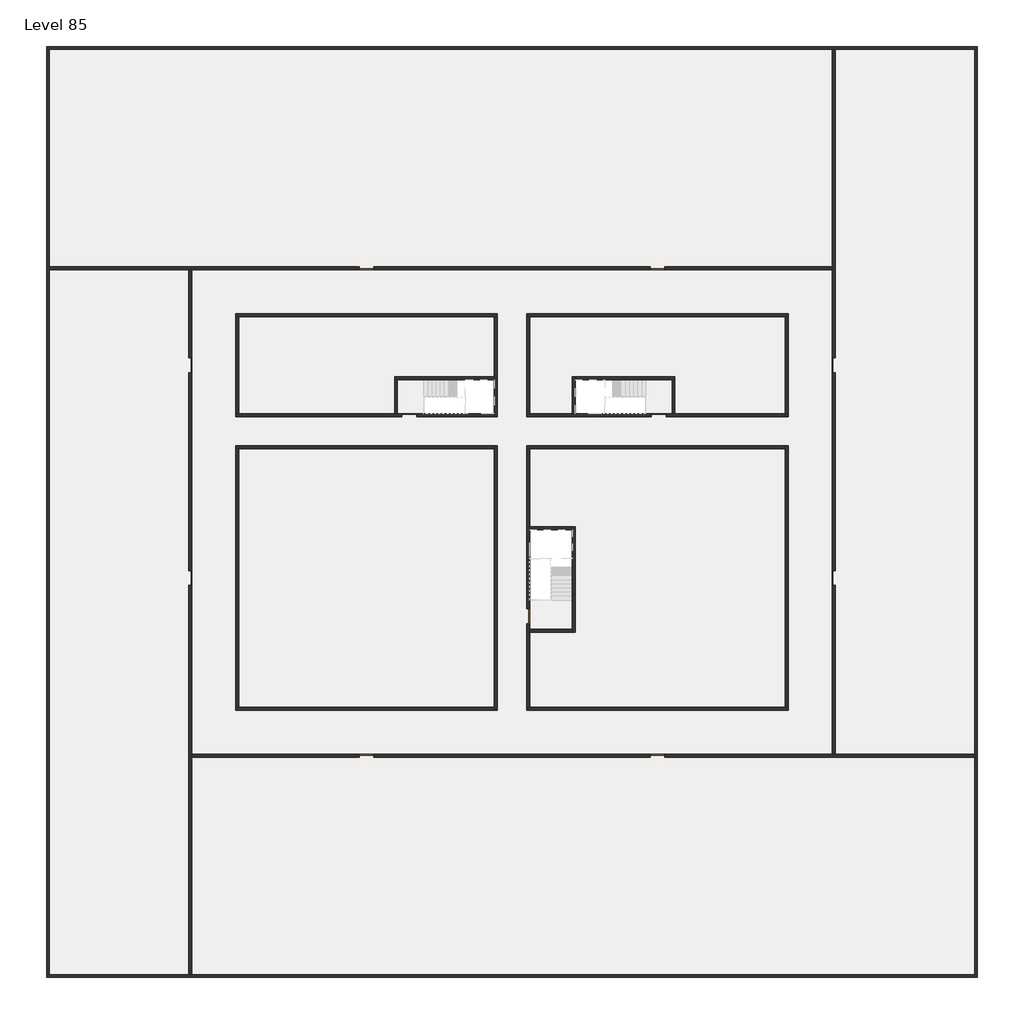
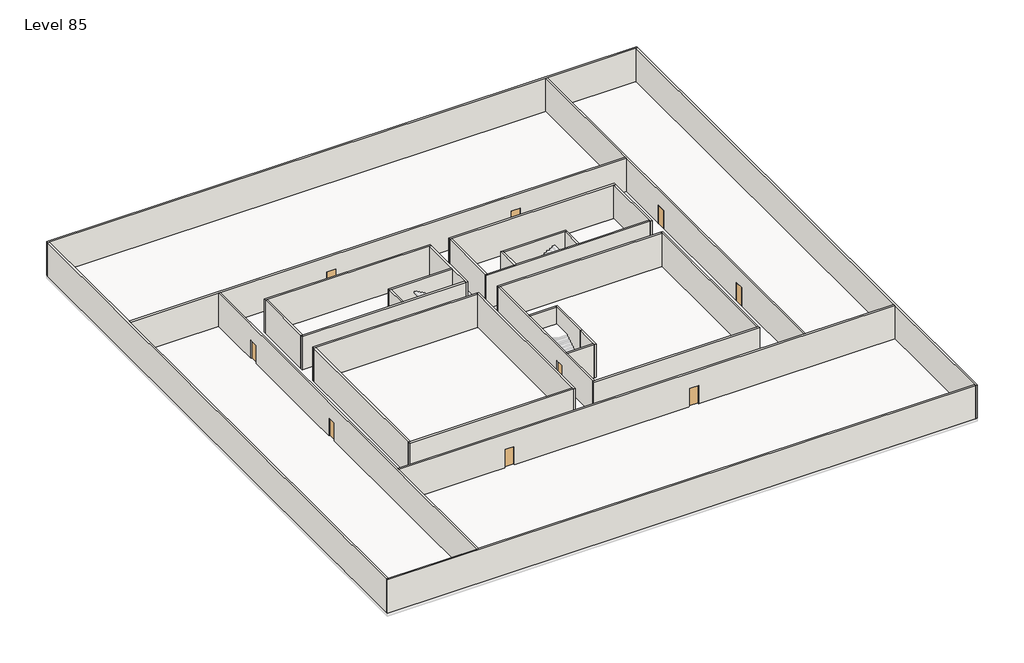
# One storey, part 1 of 2: 33 walls, 11 doors.
"""IFC4 building model written with IfcOpenShell, lengths in millimetres."""

import ifcopenshell
import ifcopenshell.guid

model = None  # the IFC model being written
_history = None  # IfcOwnerHistory: only IFC2X3 demands one
_inside = {}  # id of a spatial element -> (the spatial element, [elements in it])
_under = {}  # id of a project, library or spatial element -> (it, [spatial elements below it])
_declared = {}  # id of a project -> (the project, [libraries it declares])
_typed = {}  # id of a type object -> (the type object, [elements of that type])
_made_of = {}  # id of a material, layer set ... -> (it, [elements and type objects made of it])


def new_model(schema):
    """Start an empty IFC model of exactly this schema.

    Asked for "IFC4X3", IfcOpenShell would pick the latest addendum, in which some entities
    have other attributes; the version numbers below select the first issue.
    IFC2X3 requires an IfcOwnerHistory on every rooted entity: one is made here for all.
    """
    global model, _history
    if schema == "IFC4X3":
        model = ifcopenshell.file(schema_version=(4, 3, 0, 0))
    else:
        model = ifcopenshell.file(schema=schema)
    _inside.clear()
    _under.clear()
    _declared.clear()
    _typed.clear()
    _made_of.clear()
    _history = None
    if model.schema == "IFC2X3":
        org = make("IfcOrganization", Name="unknown")
        user = make(
            "IfcPersonAndOrganization",
            ThePerson=make("IfcPerson", FamilyName="unknown"),
            TheOrganization=org,
        )
        app = make(
            "IfcApplication",
            ApplicationDeveloper=org,
            Version="unknown",
            ApplicationFullName="unknown",
            ApplicationIdentifier="unknown",
        )
        _history = make(
            "IfcOwnerHistory",
            OwningUser=user,
            OwningApplication=app,
            ChangeAction="ADDED",
            CreationDate=0,
        )
    return model


def make(cls, **values):
    """One entity of the class cls with the attributes given. An attribute that is None is left unset."""
    return model.create_entity(
        cls, **{name: value for name, value in values.items() if value is not None}
    )


def rooted(cls, **values):
    """An entity with a GlobalId (a new one), such as an element, a storey or a relation."""
    return make(cls, GlobalId=ifcopenshell.guid.new(), OwnerHistory=_history, **values)


def si_unit(unit_type, name, prefix=None):
    """IfcSIUnit, for example si_unit("LENGTHUNIT", "METRE", prefix="MILLI")."""
    return make("IfcSIUnit", UnitType=unit_type, Prefix=prefix, Name=name)


def assignment(units):
    """IfcUnitAssignment: the units of a project."""
    return None if units is None else make("IfcUnitAssignment", Units=units)


def point(xyz):
    """IfcCartesianPoint."""
    return None if xyz is None else make("IfcCartesianPoint", Coordinates=xyz)


def direction(xyz):
    """IfcDirection."""
    return None if xyz is None else make("IfcDirection", DirectionRatios=xyz)


def frame(location, z_axis=None, x_axis=None):
    """IfcAxis2Placement3D, a coordinate frame: its origin and axes. An axis left out is left unset."""
    return make(
        "IfcAxis2Placement3D",
        Location=point(location),
        Axis=direction(z_axis),
        RefDirection=direction(x_axis),
    )


def origin():
    """The frame at (0, 0, 0) with its axes left unset."""
    return frame((0.0, 0.0, 0.0))


def origin_with_axes():
    """The frame at (0, 0, 0) with the z axis (0, 0, 1) and the x axis (1, 0, 0) written out."""
    return frame((0.0, 0.0, 0.0), z_axis=(0.0, 0.0, 1.0), x_axis=(1.0, 0.0, 0.0))


def place(relative_to, where):
    """IfcLocalPlacement: puts the frame where relative to a parent placement (None: the world)."""
    return make(
        "IfcLocalPlacement", PlacementRelTo=relative_to, RelativePlacement=where
    )


def context(
    kind, dimensions, precision=None, world=None, true_north=None, identifier=None
):
    """IfcGeometricRepresentationContext, for example the 3D "Model" context."""
    return make(
        "IfcGeometricRepresentationContext",
        ContextIdentifier=identifier,
        ContextType=kind,
        CoordinateSpaceDimension=dimensions,
        Precision=precision,
        WorldCoordinateSystem=world,
        TrueNorth=true_north,
    )


def project(units=None, contexts=None):
    """IfcProject with its units and contexts."""
    return rooted(
        "IfcProject",
        Name="project",
        RepresentationContexts=contexts,
        UnitsInContext=assignment(units),
    )


def spatial(cls, under=None, at=None, **own):
    """A site, building, storey or space (cls), placed at a placement, below another one or the project."""
    s = rooted(cls, ObjectPlacement=at, **own)
    if under is not None:
        _under.setdefault(under.id(), (under, []))[1].append(s)
    return s


def polyline(points):
    """IfcPolyline through the points."""
    return make("IfcPolyline", Points=[point(p) for p in points])


def outline(outer, holes=None, kind="AREA"):
    """IfcArbitraryClosedProfileDef: a profile drawn as a closed curve; with holes, ...WithVoids."""
    if holes is None:
        return make("IfcArbitraryClosedProfileDef", ProfileType=kind, OuterCurve=outer)
    return make(
        "IfcArbitraryProfileDefWithVoids",
        ProfileType=kind,
        OuterCurve=outer,
        InnerCurves=holes,
    )


def extrude(swept, where, along, depth):
    """IfcExtrudedAreaSolid: the profile swept, set in the frame where, extruded along a direction by depth."""
    return make(
        "IfcExtrudedAreaSolid",
        SweptArea=swept,
        Position=where,
        ExtrudedDirection=direction(along),
        Depth=depth,
    )


def faces_of(points, faces, orient=None, outer=None):
    """IfcFace entities. A face is a list of loops; a loop is a list of indices into points, from 0.

    orient and outer hold one flag for each loop. By default every Orientation is true, the
    first loop of a face is its IfcFaceOuterBound and the others are IfcFaceBound.
    """
    made = []
    for i, loops in enumerate(faces):
        bounds = []
        for j, loop in enumerate(loops):
            is_outer = j == 0 if outer is None else outer[i][j]
            bounds.append(
                make(
                    "IfcFaceOuterBound" if is_outer else "IfcFaceBound",
                    Bound=make("IfcPolyLoop", Polygon=[points[k] for k in loop]),
                    Orientation=True if orient is None else orient[i][j],
                )
            )
        made.append(make("IfcFace", Bounds=bounds))
    return made


def faceted_brep(points, faces, orient=None, outer=None, voids=None):
    """IfcFacetedBrep: a solid bounded by flat faces; with voids (closed shells), ...WithVoids."""
    shared = [point(p) for p in points]
    hull = make("IfcClosedShell", CfsFaces=faces_of(shared, faces, orient, outer))
    if voids is None:
        return make("IfcFacetedBrep", Outer=hull)
    return make(
        "IfcFacetedBrepWithVoids",
        Outer=hull,
        Voids=[
            make(cls, CfsFaces=faces_of(shared, fs, o, b)) for cls, fs, o, b in voids
        ],
    )


def shape(context_of_items, identifier, shape_type, items):
    """IfcShapeRepresentation: the items that make up one representation, for example the "Body"."""
    return make(
        "IfcShapeRepresentation",
        ContextOfItems=context_of_items,
        RepresentationIdentifier=identifier,
        RepresentationType=shape_type,
        Items=items,
    )


def source(mapping_origin, context_of_items, identifier, shape_type, items):
    """IfcRepresentationMap: a shape defined once, which mapped items show again and again."""
    return make(
        "IfcRepresentationMap",
        MappingOrigin=mapping_origin,
        MappedRepresentation=shape(context_of_items, identifier, shape_type, items),
    )


def transform(
    local_origin,
    x_axis=None,
    y_axis=None,
    z_axis=None,
    scale=None,
    scale2=None,
    scale3=None,
    uniform=True,
):
    """IfcCartesianTransformationOperator3D, or its non-uniform kind. x_axis, y_axis, z_axis: its Axis1, 2, 3."""
    if uniform:
        return make(
            "IfcCartesianTransformationOperator3D",
            Axis1=direction(x_axis),
            Axis2=direction(y_axis),
            LocalOrigin=point(local_origin),
            Scale=scale,
            Axis3=direction(z_axis),
        )
    return make(
        "IfcCartesianTransformationOperator3DnonUniform",
        Axis1=direction(x_axis),
        Axis2=direction(y_axis),
        LocalOrigin=point(local_origin),
        Scale=scale,
        Axis3=direction(z_axis),
        Scale2=scale2,
        Scale3=scale3,
    )


def mapped(mapping_source, mapping_target):
    """IfcMappedItem: shows the shape of a source again, moved by a transform."""
    return make(
        "IfcMappedItem", MappingSource=mapping_source, MappingTarget=mapping_target
    )


def made_of(thing, what):
    """Note that an element or type object is made of a material, layer set ...; save() writes the relation."""
    if what is not None:
        _made_of.setdefault(what.id(), (what, []))[1].append(thing)
    return thing


def element(
    cls,
    number,
    at=None,
    inside=None,
    cuts=None,
    type_object=None,
    material=None,
    context=None,
    identifier="Body",
    shape_type=None,
    held_by="IfcProductDefinitionShape",
    body=None,
    shapes=None,
    **own,
):
    """One element of the class cls, such as IfcWall. Its Tag is "e" and its number.

    at: its placement. inside: the storey or other place that contains it. cuts: it is an
    opening in that element (IfcRelVoidsElement). A single representation is given by context,
    identifier, shape_type and body (its items); several are given by shapes. held_by: the class
    of the entity that holds the representations. save() writes the other relations.
    """
    e = rooted(cls, Tag="e%d" % number, ObjectPlacement=at, **own)
    if body is not None:
        shapes = [shape(context, identifier, shape_type, body)]
    if shapes is not None:
        e.Representation = make(held_by, Representations=shapes)
    if inside is not None:
        _inside.setdefault(inside.id(), (inside, []))[1].append(e)
    if cuts is not None:
        rooted(
            "IfcRelVoidsElement", RelatingBuildingElement=cuts, RelatedOpeningElement=e
        )
    if type_object is not None:
        _typed.setdefault(type_object.id(), (type_object, []))[1].append(e)
    return made_of(e, material)


def aggregate(whole, parts):
    """IfcRelAggregates: a whole, such as a stair, and the parts it consists of."""
    return rooted("IfcRelAggregates", RelatingObject=whole, RelatedObjects=parts)


def save(model, path):
    """Write the relations noted so far, then the file.

    IfcRelAggregates (storeys below a building ...), IfcRelContainedInSpatialStructure (elements
    in a storey), IfcRelDefinesByType, IfcRelAssociatesMaterial and IfcRelDeclares: one each for
    every whole, place, type object, material and project.
    """
    for whole, parts in _under.values():
        aggregate(whole, parts)
    for where, things in _inside.values():
        rooted(
            "IfcRelContainedInSpatialStructure",
            RelatedElements=things,
            RelatingStructure=where,
        )
    for kind, things in _typed.values():
        rooted("IfcRelDefinesByType", RelatedObjects=things, RelatingType=kind)
    for what, things in _made_of.values():
        rooted("IfcRelAssociatesMaterial", RelatedObjects=things, RelatingMaterial=what)
    for by, libraries in _declared.values():
        rooted("IfcRelDeclares", RelatingContext=by, RelatedDefinitions=libraries)
    model.write(path)


def door_fb3c37fd(model_context):
    return source(origin(), model_context, "Body", "SweptSolid", [
        extrude(outline(polyline([(500.0, 49.0), (-500.0, 49.0), (-500.0, 100.0), (500.0, 100.0), (500.0, 49.0)])), origin_with_axes(), (0.0, 0.0, 1.0), 2100.0),
    ])


def door_0317a72c(model_context):
    return source(origin(), model_context, "Body", "SweptSolid", [
        extrude(outline(polyline([(500.0, -49.0), (500.0, -100.0), (-500.0, -100.0), (-500.0, -49.0), (500.0, -49.0)])), origin_with_axes(), (0.0, 0.0, 1.0), 2100.0),
    ])


model = new_model("IFC4")

# Units and contexts
model_context = context("Model", 3, world=origin())
ifc_project = project(units=[si_unit("LENGTHUNIT", "METRE", prefix="MILLI")], contexts=[model_context])

# Site, building, storey
site = spatial("IfcSite", under=ifc_project)
building = spatial("IfcBuilding", under=site)
storey = spatial("IfcBuildingStorey", under=building, Name="Level 85", Elevation=319200.0)

# Doors
placement = place(None, origin())
door_shape = door_fb3c37fd(model_context)
element("IfcDoor", 1, at=placement, inside=storey, context=model_context, shape_type="MappedRepresentation", body=[
    mapped(door_shape, transform((34190.1058784, -30618.09644, 319200.0), x_axis=(1.0, 0.0, 0.0), y_axis=(0.0, 1.0, 0.0), z_axis=(0.0, 0.0, 1.0))),
])
element("IfcDoor", 2, at=placement, inside=storey, context=model_context, shape_type="MappedRepresentation", body=[
    mapped(door_shape, transform((25290.1058784, -44318.09644, 319200.0), x_axis=(0.0, -1.0, 0.0), y_axis=(1.0, 0.0, 0.0), z_axis=(0.0, 0.0, 1.0))),
])
element("IfcDoor", 3, at=placement, inside=storey, context=model_context, shape_type="MappedRepresentation", body=[
    mapped(door_shape, transform((2290.1058784, -41718.09644, 319200.0), x_axis=(0.0, -1.0, 0.0), y_axis=(1.0, 0.0, 0.0), z_axis=(0.0, 0.0, 1.0))),
])
element("IfcDoor", 4, at=placement, inside=storey, context=model_context, shape_type="MappedRepresentation", body=[
    mapped(door_shape, transform((2290.1058784, -27218.09644, 319200.0), x_axis=(0.0, -1.0, 0.0), y_axis=(1.0, 0.0, 0.0), z_axis=(0.0, 0.0, 1.0))),
])
element("IfcDoor", 5, at=placement, inside=storey, context=model_context, shape_type="MappedRepresentation", body=[
    mapped(door_shape, transform((14290.1058784, -20618.09644, 319200.0), x_axis=(-1.0, 0.0, 0.0), y_axis=(0.0, -1.0, 0.0), z_axis=(0.0, 0.0, 1.0))),
])
element("IfcDoor", 6, at=placement, inside=storey, context=model_context, shape_type="MappedRepresentation", body=[
    mapped(door_shape, transform((34090.1058784, -20618.09644, 319200.0), x_axis=(-1.0, 0.0, 0.0), y_axis=(0.0, -1.0, 0.0), z_axis=(0.0, 0.0, 1.0))),
])
element("IfcDoor", 7, at=placement, inside=storey, context=model_context, shape_type="MappedRepresentation", body=[
    mapped(door_shape, transform((46090.1058784, -27218.09644, 319200.0), x_axis=(0.0, 1.0, 0.0), y_axis=(-1.0, 0.0, 0.0), z_axis=(0.0, 0.0, 1.0))),
])
element("IfcDoor", 8, at=placement, inside=storey, context=model_context, shape_type="MappedRepresentation", body=[
    mapped(door_shape, transform((46090.1058784, -41718.09644, 319200.0), x_axis=(0.0, 1.0, 0.0), y_axis=(-1.0, 0.0, 0.0), z_axis=(0.0, 0.0, 1.0))),
])
element("IfcDoor", 9, at=placement, inside=storey, context=model_context, shape_type="MappedRepresentation", body=[
    mapped(door_shape, transform((34090.1058784, -53818.09644, 319200.0), x_axis=(1.0, 0.0, 0.0), y_axis=(0.0, 1.0, 0.0), z_axis=(0.0, 0.0, 1.0))),
])
element("IfcDoor", 10, at=placement, inside=storey, context=model_context, shape_type="MappedRepresentation", body=[
    mapped(door_shape, transform((14290.1058784, -53818.09644, 319200.0), x_axis=(1.0, 0.0, 0.0), y_axis=(0.0, 1.0, 0.0), z_axis=(0.0, 0.0, 1.0))),
])
door_2_shape = door_0317a72c(model_context)
element("IfcDoor", 11, at=placement, inside=storey, context=model_context, shape_type="MappedRepresentation", body=[
    mapped(door_2_shape, transform((17190.1058784, -30618.09644, 319200.0), x_axis=(-1.0, 0.0, 0.0), y_axis=(0.0, -1.0, 0.0), z_axis=(0.0, 0.0, 1.0))),
])

# Walls
element("IfcWall", 12, at=placement, inside=storey, context=model_context, shape_type="Brep", body=[
    faceted_brep([(-7509.8941216, -5718.09644, 319200.0), (-7309.8941216, -5718.09644, 319200.0), (45990.1058784, -5718.09644, 319200.0), (46190.1058784, -5718.09644, 319200.0), (55690.1058784, -5718.09644, 319200.0), (55890.1058784, -5718.09644, 319200.0), (55890.1058784, -5718.09644, 323000.0), (55690.1058784, -5718.09644, 323000.0), (46190.1058784, -5718.09644, 323000.0), (45990.1058784, -5718.09644, 323000.0), (-7309.8941216, -5718.09644, 323000.0), (-7509.8941216, -5718.09644, 323000.0), (-7509.8941216, -5518.09644, 319200.0), (-7509.8941216, -5518.09644, 323000.0), (55890.1058784, -5518.09644, 323000.0), (55890.1058784, -5518.09644, 319200.0)], [[[0, 1, 2, 3, 4, 5, 6, 7, 8, 9, 10, 11]], [[12, 13, 14, 15]], [[5, 4, 3, 2, 1, 0, 12, 15]], [[11, 10, 9, 8, 7, 6, 14, 13]], [[0, 11, 13, 12]], [[6, 5, 15, 14]]]),
])
element("IfcWall", 13, at=placement, inside=storey, context=model_context, shape_type="Brep", body=[
    faceted_brep([(55690.1058784, -5718.09644, 319200.0), (55690.1058784, -53718.09644, 319200.0), (55690.1058784, -53918.09644, 319200.0), (55690.1058784, -68718.09644, 319200.0), (55690.1058784, -68918.09644, 319200.0), (55690.1058784, -68918.09644, 323000.0), (55690.1058784, -68718.09644, 323000.0), (55690.1058784, -53918.09644, 323000.0), (55690.1058784, -53718.09644, 323000.0), (55690.1058784, -5718.09644, 323000.0), (55890.1058784, -5718.09644, 319200.0), (55890.1058784, -5718.09644, 323000.0), (55890.1058784, -68918.09644, 323000.0), (55890.1058784, -68918.09644, 319200.0)], [[[0, 1, 2, 3, 4, 5, 6, 7, 8, 9]], [[10, 11, 12, 13]], [[4, 3, 2, 1, 0, 10, 13]], [[9, 8, 7, 6, 5, 12, 11]], [[5, 4, 13, 12]], [[0, 9, 11, 10]]]),
])
element("IfcWall", 14, at=placement, inside=storey, context=model_context, shape_type="Brep", body=[
    faceted_brep([(55690.1058784, -68718.09644, 319200.0), (2390.1058784, -68718.09644, 319200.0), (2190.1058784, -68718.09644, 319200.0), (-7309.8941216, -68718.09644, 319200.0), (-7509.8941216, -68718.09644, 319200.0), (-7509.8941216, -68718.09644, 323000.0), (-7309.8941216, -68718.09644, 323000.0), (2190.1058784, -68718.09644, 323000.0), (2390.1058784, -68718.09644, 323000.0), (55690.1058784, -68718.09644, 323000.0), (55690.1058784, -68918.09644, 319200.0), (55690.1058784, -68918.09644, 323000.0), (-7509.8941216, -68918.09644, 323000.0), (-7509.8941216, -68918.09644, 319200.0)], [[[0, 1, 2, 3, 4, 5, 6, 7, 8, 9]], [[10, 11, 12, 13]], [[4, 3, 2, 1, 0, 10, 13]], [[9, 8, 7, 6, 5, 12, 11]], [[5, 4, 13, 12]], [[0, 9, 11, 10]]]),
])
element("IfcWall", 15, at=placement, inside=storey, context=model_context, shape_type="Brep", body=[
    faceted_brep([(-7309.8941216, -68718.09644, 319200.0), (-7309.8941216, -20718.09644, 319200.0), (-7309.8941216, -20518.09644, 319200.0), (-7309.8941216, -5718.09644, 319200.0), (-7309.8941216, -5718.09644, 323000.0), (-7309.8941216, -20518.09644, 323000.0), (-7309.8941216, -20718.09644, 323000.0), (-7309.8941216, -68718.09644, 323000.0), (-7509.8941216, -68718.09644, 319200.0), (-7509.8941216, -68718.09644, 323000.0), (-7509.8941216, -5718.09644, 323000.0), (-7509.8941216, -5718.09644, 319200.0)], [[[0, 1, 2, 3, 4, 5, 6, 7]], [[8, 9, 10, 11]], [[3, 2, 1, 0, 8, 11]], [[7, 6, 5, 4, 10, 9]], [[0, 7, 9, 8]], [[4, 3, 11, 10]]]),
])
element("IfcWall", 16, at=placement, inside=storey, context=model_context, shape_type="Brep", body=[
    faceted_brep([(5390.1058784, -23918.09644, 319200.0), (5590.1058784, -23918.09644, 319200.0), (22990.1058784, -23918.09644, 319200.0), (23190.1058784, -23918.09644, 319200.0), (23190.1058784, -23918.09644, 323000.0), (22990.1058784, -23918.09644, 323000.0), (5590.1058784, -23918.09644, 323000.0), (5390.1058784, -23918.09644, 323000.0), (5390.1058784, -23718.09644, 319200.0), (5390.1058784, -23718.09644, 323000.0), (23190.1058784, -23718.09644, 323000.0), (23190.1058784, -23718.09644, 319200.0)], [[[0, 1, 2, 3, 4, 5, 6, 7]], [[8, 9, 10, 11]], [[3, 2, 1, 0, 8, 11]], [[7, 6, 5, 4, 10, 9]], [[4, 3, 11, 10]], [[0, 7, 9, 8]]]),
])
element("IfcWall", 17, at=placement, inside=storey, context=model_context, shape_type="Brep", body=[
    faceted_brep([(22990.1058784, -23918.09644, 319200.0), (22990.1058784, -28018.09644, 319200.0), (22990.1058784, -28218.09644, 319200.0), (22990.1058784, -30518.09644, 319200.0), (22990.1058784, -30718.09644, 319200.0), (22990.1058784, -30718.09644, 323000.0), (22990.1058784, -30518.09644, 323000.0), (22990.1058784, -28218.09644, 323000.0), (22990.1058784, -28018.09644, 323000.0), (22990.1058784, -23918.09644, 323000.0), (23190.1058784, -23918.09644, 319200.0), (23190.1058784, -23918.09644, 323000.0), (23190.1058784, -30718.09644, 323000.0), (23190.1058784, -30718.09644, 319200.0)], [[[0, 1, 2, 3, 4, 5, 6, 7, 8, 9]], [[10, 11, 12, 13]], [[4, 3, 2, 1, 0, 10, 13]], [[9, 8, 7, 6, 5, 12, 11]], [[0, 9, 11, 10]], [[5, 4, 13, 12]]]),
])
element("IfcWall", 18, at=placement, inside=storey, context=model_context, shape_type="Brep", body=[
    faceted_brep([(25190.1058784, -44818.09644, 321300.0), (25190.1058784, -44818.09644, 319200.0), (25190.1058784, -50518.09644, 319200.0), (25190.1058784, -50518.09644, 323000.0), (25190.1058784, -32918.09644, 323000.0), (25190.1058784, -32918.09644, 319200.0), (25190.1058784, -43818.09644, 319200.0), (25190.1058784, -43818.09644, 321300.0), (25390.1058784, -50518.09644, 319200.0), (25390.1058784, -45418.09644, 319200.0), (25390.1058784, -45218.09644, 319200.0), (25390.1058784, -44818.09644, 319200.0), (25390.1058784, -44818.09644, 321300.0), (25390.1058784, -43818.09644, 321300.0), (25390.1058784, -43818.09644, 319200.0), (25390.1058784, -38418.09644, 319200.0), (25390.1058784, -38218.09644, 319200.0), (25390.1058784, -32918.09644, 319200.0), (25390.1058784, -32918.09644, 323000.0), (25390.1058784, -38218.09644, 323000.0), (25390.1058784, -38418.09644, 323000.0), (25390.1058784, -45218.09644, 323000.0), (25390.1058784, -45418.09644, 323000.0), (25390.1058784, -50518.09644, 323000.0)], [[[0, 1, 2, 3, 4, 5, 6, 7]], [[8, 9, 10, 11, 12, 13, 14, 15, 16, 17, 18, 19, 20, 21, 22, 23]], [[6, 5, 17, 16, 15, 14]], [[2, 1, 11, 10, 9, 8]], [[4, 3, 23, 22, 21, 20, 19, 18]], [[12, 11, 1, 0]], [[13, 12, 0, 7]], [[14, 13, 7, 6]], [[5, 4, 18, 17]], [[3, 2, 8, 23]]]),
])
element("IfcWall", 19, at=placement, inside=storey, context=model_context, shape_type="Brep", body=[
    faceted_brep([(22990.1058784, -32718.09644, 319200.0), (22990.1058784, -32918.09644, 319200.0), (22990.1058784, -50518.09644, 319200.0), (22990.1058784, -50718.09644, 319200.0), (22990.1058784, -50718.09644, 323000.0), (22990.1058784, -50518.09644, 323000.0), (22990.1058784, -32918.09644, 323000.0), (22990.1058784, -32718.09644, 323000.0), (23190.1058784, -32718.09644, 319200.0), (23190.1058784, -32718.09644, 323000.0), (23190.1058784, -50718.09644, 323000.0), (23190.1058784, -50718.09644, 319200.0)], [[[0, 1, 2, 3, 4, 5, 6, 7]], [[8, 9, 10, 11]], [[3, 2, 1, 0, 8, 11]], [[7, 6, 5, 4, 10, 9]], [[4, 3, 11, 10]], [[0, 7, 9, 8]]]),
])
element("IfcWall", 20, at=placement, inside=storey, context=model_context, shape_type="Brep", body=[
    faceted_brep([(22990.1058784, -50518.09644, 319200.0), (5590.1058784, -50518.09644, 319200.0), (5390.1058784, -50518.09644, 319200.0), (5390.1058784, -50518.09644, 323000.0), (5590.1058784, -50518.09644, 323000.0), (22990.1058784, -50518.09644, 323000.0), (22990.1058784, -50718.09644, 319200.0), (22990.1058784, -50718.09644, 323000.0), (5390.1058784, -50718.09644, 323000.0), (5390.1058784, -50718.09644, 319200.0)], [[[0, 1, 2, 3, 4, 5]], [[6, 7, 8, 9]], [[2, 1, 0, 6, 9]], [[5, 4, 3, 8, 7]], [[0, 5, 7, 6]], [[3, 2, 9, 8]]]),
])
element("IfcWall", 21, at=placement, inside=storey, context=model_context, shape_type="Brep", body=[
    faceted_brep([(28290.1058784, -42818.09644, 319200.0), (28290.1058784, -45218.09644, 319200.0), (28290.1058784, -45418.09644, 319200.0), (28290.1058784, -45418.09644, 323000.0), (28290.1058784, -45218.09644, 323000.0), (28290.1058784, -42818.09644, 323000.0), (28490.1058784, -42818.09644, 319200.0), (28490.1058784, -42818.09644, 323000.0), (28490.1058784, -45418.09644, 323000.0), (28490.1058784, -45418.09644, 319200.0)], [[[0, 1, 2, 3, 4, 5]], [[6, 7, 8, 9]], [[2, 1, 0, 6, 9]], [[5, 4, 3, 8, 7]], [[0, 5, 7, 6]], [[3, 2, 9, 8]]]),
])
element("IfcWall", 22, at=placement, inside=storey, context=model_context, shape_type="SweptSolid", body=[
    extrude(outline(polyline([(5390.1058784, -30518.09644), (5390.1058784, -23918.09644), (5590.1058784, -23918.09644), (5590.1058784, -30518.09644), (5390.1058784, -30518.09644)])), frame((0.0, 0.0, 319200.0), z_axis=(0.0, 0.0, 1.0), x_axis=(1.0, 0.0, 0.0)), (0.0, 0.0, 1.0), 3800.0),
])
element("IfcWall", 23, at=placement, inside=storey, context=model_context, shape_type="Brep", body=[
    faceted_brep([(5390.1058784, -30718.09644, 319200.0), (16690.1058784, -30718.09644, 319200.0), (16690.1058784, -30718.09644, 321300.0), (17690.1058784, -30718.09644, 321300.0), (17690.1058784, -30718.09644, 319200.0), (22990.1058784, -30718.09644, 319200.0), (22990.1058784, -30718.09644, 323000.0), (5390.1058784, -30718.09644, 323000.0), (16690.1058784, -30518.09644, 321300.0), (16690.1058784, -30518.09644, 319200.0), (16390.1058784, -30518.09644, 319200.0), (16190.1058784, -30518.09644, 319200.0), (5590.1058784, -30518.09644, 319200.0), (5390.1058784, -30518.09644, 319200.0), (5390.1058784, -30518.09644, 323000.0), (5590.1058784, -30518.09644, 323000.0), (16190.1058784, -30518.09644, 323000.0), (16390.1058784, -30518.09644, 323000.0), (22990.1058784, -30518.09644, 323000.0), (22990.1058784, -30518.09644, 319200.0), (17690.1058784, -30518.09644, 319200.0), (17690.1058784, -30518.09644, 321300.0)], [[[0, 1, 2, 3, 4, 5, 6, 7]], [[8, 9, 10, 11, 12, 13, 14, 15, 16, 17, 18, 19, 20, 21]], [[20, 19, 5, 4]], [[13, 12, 11, 10, 9, 1, 0]], [[7, 6, 18, 17, 16, 15, 14]], [[2, 1, 9, 8]], [[3, 2, 8, 21]], [[4, 3, 21, 20]], [[0, 7, 14, 13]], [[6, 5, 19, 18]]]),
])
element("IfcWall", 24, at=placement, inside=storey, context=model_context, shape_type="Brep", body=[
    faceted_brep([(28490.1058784, -42818.09644, 319200.0), (28490.1058784, -38218.09644, 319200.0), (28490.1058784, -38218.09644, 323000.0), (28490.1058784, -42818.09644, 323000.0), (28290.1058784, -42818.09644, 319200.0), (28290.1058784, -42818.09644, 323000.0), (28290.1058784, -38418.09644, 323000.0), (28290.1058784, -38218.09644, 323000.0), (28290.1058784, -38218.09644, 319200.0), (28290.1058784, -38418.09644, 319200.0)], [[[0, 1, 2, 3]], [[4, 5, 6, 7, 8, 9]], [[1, 0, 4, 9, 8]], [[3, 2, 7, 6, 5]], [[0, 3, 5, 4]], [[2, 1, 8, 7]]]),
])
element("IfcWall", 25, at=placement, inside=storey, context=model_context, shape_type="SweptSolid", body=[
    extrude(outline(polyline([(25390.1058784, -38218.09644), (28290.1058784, -38218.09644), (28290.1058784, -38418.09644), (25390.1058784, -38418.09644), (25390.1058784, -38218.09644)])), frame((0.0, 0.0, 319200.0), z_axis=(0.0, 0.0, 1.0), x_axis=(1.0, 0.0, 0.0)), (0.0, 0.0, 1.0), 3800.0),
])
element("IfcWall", 26, at=placement, inside=storey, context=model_context, shape_type="SweptSolid", body=[
    extrude(outline(polyline([(28290.1058784, -45418.09644), (25390.1058784, -45418.09644), (25390.1058784, -45218.09644), (28290.1058784, -45218.09644), (28290.1058784, -45418.09644)])), frame((0.0, 0.0, 319200.0), z_axis=(0.0, 0.0, 1.0), x_axis=(1.0, 0.0, 0.0)), (0.0, 0.0, 1.0), 3800.0),
])
element("IfcWall", 27, at=placement, inside=storey, context=model_context, shape_type="Brep", body=[
    faceted_brep([(5390.1058784, -32918.09644, 319200.0), (5590.1058784, -32918.09644, 319200.0), (22990.1058784, -32918.09644, 319200.0), (22990.1058784, -32918.09644, 323000.0), (5590.1058784, -32918.09644, 323000.0), (5390.1058784, -32918.09644, 323000.0), (5390.1058784, -32718.09644, 319200.0), (5390.1058784, -32718.09644, 323000.0), (22990.1058784, -32718.09644, 323000.0), (22990.1058784, -32718.09644, 319200.0)], [[[0, 1, 2, 3, 4, 5]], [[6, 7, 8, 9]], [[2, 1, 0, 6, 9]], [[5, 4, 3, 8, 7]], [[3, 2, 9, 8]], [[0, 5, 7, 6]]]),
])
element("IfcWall", 28, at=placement, inside=storey, context=model_context, shape_type="SweptSolid", body=[
    extrude(outline(polyline([(5390.1058784, -50518.09644), (5390.1058784, -32918.09644), (5590.1058784, -32918.09644), (5590.1058784, -50518.09644), (5390.1058784, -50518.09644)])), frame((0.0, 0.0, 319200.0), z_axis=(0.0, 0.0, 1.0), x_axis=(1.0, 0.0, 0.0)), (0.0, 0.0, 1.0), 3800.0),
])
element("IfcWall", 29, at=placement, inside=storey, context=model_context, shape_type="Brep", body=[
    faceted_brep([(25190.1058784, -50718.09644, 319200.0), (42990.1058784, -50718.09644, 319200.0), (42990.1058784, -50718.09644, 323000.0), (25190.1058784, -50718.09644, 323000.0), (25190.1058784, -50518.09644, 319200.0), (25190.1058784, -50518.09644, 323000.0), (25390.1058784, -50518.09644, 323000.0), (42790.1058784, -50518.09644, 323000.0), (42990.1058784, -50518.09644, 323000.0), (42990.1058784, -50518.09644, 319200.0), (42790.1058784, -50518.09644, 319200.0), (25390.1058784, -50518.09644, 319200.0)], [[[0, 1, 2, 3]], [[4, 5, 6, 7, 8, 9, 10, 11]], [[1, 0, 4, 11, 10, 9]], [[3, 2, 8, 7, 6, 5]], [[2, 1, 9, 8]], [[0, 3, 5, 4]]]),
])
element("IfcWall", 30, at=placement, inside=storey, context=model_context, shape_type="Brep", body=[
    faceted_brep([(42990.1058784, -50518.09644, 319200.0), (42990.1058784, -32718.09644, 319200.0), (42990.1058784, -32718.09644, 323000.0), (42990.1058784, -50518.09644, 323000.0), (42790.1058784, -50518.09644, 319200.0), (42790.1058784, -50518.09644, 323000.0), (42790.1058784, -32918.09644, 323000.0), (42790.1058784, -32718.09644, 323000.0), (42790.1058784, -32718.09644, 319200.0), (42790.1058784, -32918.09644, 319200.0)], [[[0, 1, 2, 3]], [[4, 5, 6, 7, 8, 9]], [[1, 0, 4, 9, 8]], [[3, 2, 7, 6, 5]], [[0, 3, 5, 4]], [[2, 1, 8, 7]]]),
])
element("IfcWall", 31, at=placement, inside=storey, context=model_context, shape_type="Brep", body=[
    faceted_brep([(42790.1058784, -32718.09644, 319200.0), (25190.1058784, -32718.09644, 319200.0), (25190.1058784, -32718.09644, 323000.0), (42790.1058784, -32718.09644, 323000.0), (42790.1058784, -32918.09644, 319200.0), (42790.1058784, -32918.09644, 323000.0), (25390.1058784, -32918.09644, 323000.0), (25190.1058784, -32918.09644, 323000.0), (25190.1058784, -32918.09644, 319200.0), (25390.1058784, -32918.09644, 319200.0)], [[[0, 1, 2, 3]], [[4, 5, 6, 7, 8, 9]], [[1, 0, 4, 9, 8]], [[3, 2, 7, 6, 5]], [[0, 3, 5, 4]], [[2, 1, 8, 7]]]),
])
element("IfcWall", 32, at=placement, inside=storey, context=model_context, shape_type="Brep", body=[
    faceted_brep([(25190.1058784, -23918.09644, 319200.0), (25390.1058784, -23918.09644, 319200.0), (42790.1058784, -23918.09644, 319200.0), (42990.1058784, -23918.09644, 319200.0), (42990.1058784, -23918.09644, 323000.0), (42790.1058784, -23918.09644, 323000.0), (25390.1058784, -23918.09644, 323000.0), (25190.1058784, -23918.09644, 323000.0), (25190.1058784, -23718.09644, 319200.0), (25190.1058784, -23718.09644, 323000.0), (42990.1058784, -23718.09644, 323000.0), (42990.1058784, -23718.09644, 319200.0)], [[[0, 1, 2, 3, 4, 5, 6, 7]], [[8, 9, 10, 11]], [[3, 2, 1, 0, 8, 11]], [[7, 6, 5, 4, 10, 9]], [[0, 7, 9, 8]], [[4, 3, 11, 10]]]),
])
element("IfcWall", 33, at=placement, inside=storey, context=model_context, shape_type="Brep", body=[
    faceted_brep([(42790.1058784, -23918.09644, 319200.0), (42790.1058784, -30518.09644, 319200.0), (42790.1058784, -30718.09644, 319200.0), (42790.1058784, -30718.09644, 323000.0), (42790.1058784, -30518.09644, 323000.0), (42790.1058784, -23918.09644, 323000.0), (42990.1058784, -23918.09644, 319200.0), (42990.1058784, -23918.09644, 323000.0), (42990.1058784, -30718.09644, 323000.0), (42990.1058784, -30718.09644, 319200.0)], [[[0, 1, 2, 3, 4, 5]], [[6, 7, 8, 9]], [[2, 1, 0, 6, 9]], [[5, 4, 3, 8, 7]], [[0, 5, 7, 6]], [[3, 2, 9, 8]]]),
])
element("IfcWall", 34, at=placement, inside=storey, context=model_context, shape_type="Brep", body=[
    faceted_brep([(42790.1058784, -30518.09644, 319200.0), (35290.1058784, -30518.09644, 319200.0), (35090.1058784, -30518.09644, 319200.0), (34690.1058784, -30518.09644, 319200.0), (34690.1058784, -30518.09644, 321300.0), (33690.1058784, -30518.09644, 321300.0), (33690.1058784, -30518.09644, 319200.0), (28490.1058784, -30518.09644, 319200.0), (28290.1058784, -30518.09644, 319200.0), (25390.1058784, -30518.09644, 319200.0), (25190.1058784, -30518.09644, 319200.0), (25190.1058784, -30518.09644, 323000.0), (25390.1058784, -30518.09644, 323000.0), (28290.1058784, -30518.09644, 323000.0), (28490.1058784, -30518.09644, 323000.0), (35090.1058784, -30518.09644, 323000.0), (35290.1058784, -30518.09644, 323000.0), (42790.1058784, -30518.09644, 323000.0), (34690.1058784, -30718.09644, 321300.0), (34690.1058784, -30718.09644, 319200.0), (42790.1058784, -30718.09644, 319200.0), (42790.1058784, -30718.09644, 323000.0), (25190.1058784, -30718.09644, 323000.0), (25190.1058784, -30718.09644, 319200.0), (33690.1058784, -30718.09644, 319200.0), (33690.1058784, -30718.09644, 321300.0)], [[[0, 1, 2, 3, 4, 5, 6, 7, 8, 9, 10, 11, 12, 13, 14, 15, 16, 17]], [[18, 19, 20, 21, 22, 23, 24, 25]], [[24, 23, 10, 9, 8, 7, 6]], [[20, 19, 3, 2, 1, 0]], [[17, 16, 15, 14, 13, 12, 11, 22, 21]], [[4, 3, 19, 18]], [[5, 4, 18, 25]], [[6, 5, 25, 24]], [[11, 10, 23, 22]], [[0, 17, 21, 20]]]),
])
element("IfcWall", 35, at=placement, inside=storey, context=model_context, shape_type="SweptSolid", body=[
    extrude(outline(polyline([(25390.1058784, -23918.09644), (25390.1058784, -30518.09644), (25190.1058784, -30518.09644), (25190.1058784, -23918.09644), (25390.1058784, -23918.09644)])), frame((0.0, 0.0, 319200.0), z_axis=(0.0, 0.0, 1.0), x_axis=(1.0, 0.0, 0.0)), (0.0, 0.0, 1.0), 3800.0),
])
element("IfcWall", 36, at=placement, inside=storey, context=model_context, shape_type="Brep", body=[
    faceted_brep([(28490.1058784, -30518.09644, 319200.0), (28490.1058784, -28218.09644, 319200.0), (28490.1058784, -28018.09644, 319200.0), (28490.1058784, -28018.09644, 323000.0), (28490.1058784, -28218.09644, 323000.0), (28490.1058784, -30518.09644, 323000.0), (28290.1058784, -30518.09644, 319200.0), (28290.1058784, -30518.09644, 323000.0), (28290.1058784, -28018.09644, 323000.0), (28290.1058784, -28018.09644, 319200.0)], [[[0, 1, 2, 3, 4, 5]], [[6, 7, 8, 9]], [[2, 1, 0, 6, 9]], [[5, 4, 3, 8, 7]], [[3, 2, 9, 8]], [[0, 5, 7, 6]]]),
])
element("IfcWall", 37, at=placement, inside=storey, context=model_context, shape_type="Brep", body=[
    faceted_brep([(28490.1058784, -28218.09644, 319200.0), (35090.1058784, -28218.09644, 319200.0), (35290.1058784, -28218.09644, 319200.0), (35290.1058784, -28218.09644, 323000.0), (35090.1058784, -28218.09644, 323000.0), (28490.1058784, -28218.09644, 323000.0), (28490.1058784, -28018.09644, 319200.0), (28490.1058784, -28018.09644, 323000.0), (35290.1058784, -28018.09644, 323000.0), (35290.1058784, -28018.09644, 319200.0)], [[[0, 1, 2, 3, 4, 5]], [[6, 7, 8, 9]], [[2, 1, 0, 6, 9]], [[5, 4, 3, 8, 7]], [[0, 5, 7, 6]], [[3, 2, 9, 8]]]),
])
element("IfcWall", 38, at=placement, inside=storey, context=model_context, shape_type="SweptSolid", body=[
    extrude(outline(polyline([(35090.1058784, -30518.09644), (35090.1058784, -28218.09644), (35290.1058784, -28218.09644), (35290.1058784, -30518.09644), (35090.1058784, -30518.09644)])), frame((0.0, 0.0, 319200.0), z_axis=(0.0, 0.0, 1.0), x_axis=(1.0, 0.0, 0.0)), (0.0, 0.0, 1.0), 3800.0),
])
element("IfcWall", 39, at=placement, inside=storey, context=model_context, shape_type="Brep", body=[
    faceted_brep([(22990.1058784, -28018.09644, 319200.0), (16190.1058784, -28018.09644, 319200.0), (16190.1058784, -28018.09644, 323000.0), (22990.1058784, -28018.09644, 323000.0), (22990.1058784, -28218.09644, 319200.0), (22990.1058784, -28218.09644, 323000.0), (16390.1058784, -28218.09644, 323000.0), (16190.1058784, -28218.09644, 323000.0), (16190.1058784, -28218.09644, 319200.0), (16390.1058784, -28218.09644, 319200.0)], [[[0, 1, 2, 3]], [[4, 5, 6, 7, 8, 9]], [[1, 0, 4, 9, 8]], [[3, 2, 7, 6, 5]], [[0, 3, 5, 4]], [[2, 1, 8, 7]]]),
])
element("IfcWall", 40, at=placement, inside=storey, context=model_context, shape_type="SweptSolid", body=[
    extrude(outline(polyline([(16190.1058784, -30518.09644), (16190.1058784, -28218.09644), (16390.1058784, -28218.09644), (16390.1058784, -30518.09644), (16190.1058784, -30518.09644)])), frame((0.0, 0.0, 319200.0), z_axis=(0.0, 0.0, 1.0), x_axis=(1.0, 0.0, 0.0)), (0.0, 0.0, 1.0), 3800.0),
])
element("IfcWall", 41, at=placement, inside=storey, context=model_context, shape_type="Brep", body=[
    faceted_brep([(14790.1058784, -20718.09644, 319200.0), (33590.1058784, -20718.09644, 319200.0), (33590.1058784, -20718.09644, 321300.0), (34590.1058784, -20718.09644, 321300.0), (34590.1058784, -20718.09644, 319200.0), (45990.1058784, -20718.09644, 319200.0), (45990.1058784, -20718.09644, 323000.0), (2390.1058784, -20718.09644, 323000.0), (2190.1058784, -20718.09644, 323000.0), (-7309.8941216, -20718.09644, 323000.0), (-7309.8941216, -20718.09644, 319200.0), (2190.1058784, -20718.09644, 319200.0), (2390.1058784, -20718.09644, 319200.0), (13790.1058784, -20718.09644, 319200.0), (13790.1058784, -20718.09644, 321300.0), (14790.1058784, -20718.09644, 321300.0), (33590.1058784, -20518.09644, 321300.0), (33590.1058784, -20518.09644, 319200.0), (14790.1058784, -20518.09644, 319200.0), (14790.1058784, -20518.09644, 321300.0), (13790.1058784, -20518.09644, 321300.0), (13790.1058784, -20518.09644, 319200.0), (-7309.8941216, -20518.09644, 319200.0), (-7309.8941216, -20518.09644, 323000.0), (45990.1058784, -20518.09644, 323000.0), (45990.1058784, -20518.09644, 319200.0), (34590.1058784, -20518.09644, 319200.0), (34590.1058784, -20518.09644, 321300.0)], [[[0, 1, 2, 3, 4, 5, 6, 7, 8, 9, 10, 11, 12, 13, 14, 15]], [[16, 17, 18, 19, 20, 21, 22, 23, 24, 25, 26, 27]], [[22, 21, 13, 12, 11, 10]], [[26, 25, 5, 4]], [[18, 17, 1, 0]], [[9, 8, 7, 6, 24, 23]], [[14, 13, 21, 20]], [[15, 14, 20, 19]], [[0, 15, 19, 18]], [[2, 1, 17, 16]], [[3, 2, 16, 27]], [[4, 3, 27, 26]], [[10, 9, 23, 22]], [[6, 5, 25, 24]]]),
])
element("IfcWall", 42, at=placement, inside=storey, context=model_context, shape_type="Brep", body=[
    faceted_brep([(45990.1058784, -27718.09644, 319200.0), (45990.1058784, -41218.09644, 319200.0), (45990.1058784, -41218.09644, 321300.0), (45990.1058784, -42218.09644, 321300.0), (45990.1058784, -42218.09644, 319200.0), (45990.1058784, -53718.09644, 319200.0), (45990.1058784, -53718.09644, 323000.0), (45990.1058784, -20718.09644, 323000.0), (45990.1058784, -20518.09644, 323000.0), (45990.1058784, -5718.09644, 323000.0), (45990.1058784, -5718.09644, 319200.0), (45990.1058784, -20518.09644, 319200.0), (45990.1058784, -20718.09644, 319200.0), (45990.1058784, -26718.09644, 319200.0), (45990.1058784, -26718.09644, 321300.0), (45990.1058784, -27718.09644, 321300.0), (46190.1058784, -41218.09644, 321300.0), (46190.1058784, -41218.09644, 319200.0), (46190.1058784, -27718.09644, 319200.0), (46190.1058784, -27718.09644, 321300.0), (46190.1058784, -26718.09644, 321300.0), (46190.1058784, -26718.09644, 319200.0), (46190.1058784, -5718.09644, 319200.0), (46190.1058784, -5718.09644, 323000.0), (46190.1058784, -53718.09644, 323000.0), (46190.1058784, -53718.09644, 319200.0), (46190.1058784, -42218.09644, 319200.0), (46190.1058784, -42218.09644, 321300.0)], [[[0, 1, 2, 3, 4, 5, 6, 7, 8, 9, 10, 11, 12, 13, 14, 15]], [[16, 17, 18, 19, 20, 21, 22, 23, 24, 25, 26, 27]], [[22, 21, 13, 12, 11, 10]], [[26, 25, 5, 4]], [[18, 17, 1, 0]], [[9, 8, 7, 6, 24, 23]], [[14, 13, 21, 20]], [[15, 14, 20, 19]], [[0, 15, 19, 18]], [[2, 1, 17, 16]], [[3, 2, 16, 27]], [[4, 3, 27, 26]], [[10, 9, 23, 22]], [[6, 5, 25, 24]]]),
])
element("IfcWall", 43, at=placement, inside=storey, context=model_context, shape_type="Brep", body=[
    faceted_brep([(33590.1058784, -53718.09644, 319200.0), (14790.1058784, -53718.09644, 319200.0), (14790.1058784, -53718.09644, 321300.0), (13790.1058784, -53718.09644, 321300.0), (13790.1058784, -53718.09644, 319200.0), (2390.1058784, -53718.09644, 319200.0), (2390.1058784, -53718.09644, 323000.0), (45990.1058784, -53718.09644, 323000.0), (46190.1058784, -53718.09644, 323000.0), (55690.1058784, -53718.09644, 323000.0), (55690.1058784, -53718.09644, 319200.0), (46190.1058784, -53718.09644, 319200.0), (45990.1058784, -53718.09644, 319200.0), (34590.1058784, -53718.09644, 319200.0), (34590.1058784, -53718.09644, 321300.0), (33590.1058784, -53718.09644, 321300.0), (14790.1058784, -53918.09644, 321300.0), (14790.1058784, -53918.09644, 319200.0), (33590.1058784, -53918.09644, 319200.0), (33590.1058784, -53918.09644, 321300.0), (34590.1058784, -53918.09644, 321300.0), (34590.1058784, -53918.09644, 319200.0), (55690.1058784, -53918.09644, 319200.0), (55690.1058784, -53918.09644, 323000.0), (2390.1058784, -53918.09644, 323000.0), (2390.1058784, -53918.09644, 319200.0), (13790.1058784, -53918.09644, 319200.0), (13790.1058784, -53918.09644, 321300.0)], [[[0, 1, 2, 3, 4, 5, 6, 7, 8, 9, 10, 11, 12, 13, 14, 15]], [[16, 17, 18, 19, 20, 21, 22, 23, 24, 25, 26, 27]], [[22, 21, 13, 12, 11, 10]], [[26, 25, 5, 4]], [[18, 17, 1, 0]], [[9, 8, 7, 6, 24, 23]], [[14, 13, 21, 20]], [[15, 14, 20, 19]], [[0, 15, 19, 18]], [[2, 1, 17, 16]], [[3, 2, 16, 27]], [[4, 3, 27, 26]], [[10, 9, 23, 22]], [[6, 5, 25, 24]]]),
])
element("IfcWall", 44, at=placement, inside=storey, context=model_context, shape_type="Brep", body=[
    faceted_brep([(2390.1058784, -41218.09644, 319200.0), (2390.1058784, -27718.09644, 319200.0), (2390.1058784, -27718.09644, 321300.0), (2390.1058784, -26718.09644, 321300.0), (2390.1058784, -26718.09644, 319200.0), (2390.1058784, -20718.09644, 319200.0), (2390.1058784, -20718.09644, 323000.0), (2390.1058784, -53718.09644, 323000.0), (2390.1058784, -53918.09644, 323000.0), (2390.1058784, -68718.09644, 323000.0), (2390.1058784, -68718.09644, 319200.0), (2390.1058784, -53918.09644, 319200.0), (2390.1058784, -53718.09644, 319200.0), (2390.1058784, -42218.09644, 319200.0), (2390.1058784, -42218.09644, 321300.0), (2390.1058784, -41218.09644, 321300.0), (2190.1058784, -27718.09644, 321300.0), (2190.1058784, -27718.09644, 319200.0), (2190.1058784, -41218.09644, 319200.0), (2190.1058784, -41218.09644, 321300.0), (2190.1058784, -42218.09644, 321300.0), (2190.1058784, -42218.09644, 319200.0), (2190.1058784, -68718.09644, 319200.0), (2190.1058784, -68718.09644, 323000.0), (2190.1058784, -20718.09644, 323000.0), (2190.1058784, -20718.09644, 319200.0), (2190.1058784, -26718.09644, 319200.0), (2190.1058784, -26718.09644, 321300.0)], [[[0, 1, 2, 3, 4, 5, 6, 7, 8, 9, 10, 11, 12, 13, 14, 15]], [[16, 17, 18, 19, 20, 21, 22, 23, 24, 25, 26, 27]], [[22, 21, 13, 12, 11, 10]], [[26, 25, 5, 4]], [[18, 17, 1, 0]], [[9, 8, 7, 6, 24, 23]], [[14, 13, 21, 20]], [[15, 14, 20, 19]], [[0, 15, 19, 18]], [[2, 1, 17, 16]], [[3, 2, 16, 27]], [[4, 3, 27, 26]], [[10, 9, 23, 22]], [[6, 5, 25, 24]]]),
])

save(model, "model.ifc")
